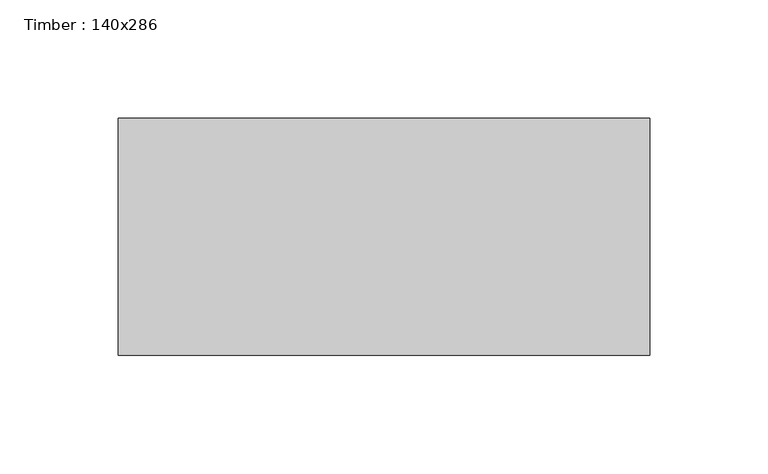
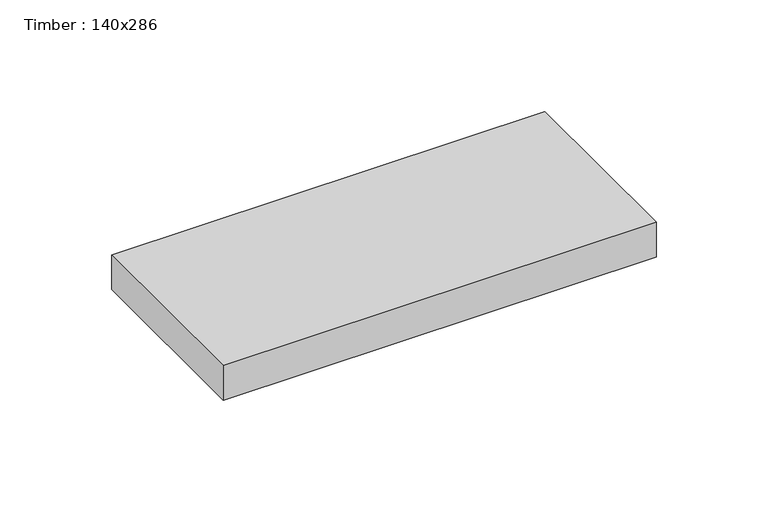
"""IFC4 building model written with IfcOpenShell, lengths in millimetres: beam geometry, Timber : 140x286."""

from ifc_helpers import new_model, si_unit, frame, origin, place, context, project, spatial, polyline, outline, extrude, source, transform, mapped, element, save


def timber_140x286_a0d75bed(model_context):
    return source(origin(), model_context, "Body", "SweptSolid", [
        extrude(outline(polyline([(1740.8447325, 31.5582294), (1740.8447325, 131.5582294), (1965.0341974, 131.5582294), (1965.0341974, 31.5582294), (1740.8447325, 31.5582294)])), frame((0.0, 0.0, -99.1762027), z_axis=(0.0, 0.0, 1.0), x_axis=(1.0, 0.0, 0.0)), (0.0, 0.0, 1.0), 19.0),
    ])


if __name__ == "__main__":
    model = new_model("IFC4")
    model_context = context("Model", 3, world=origin())
    ifc_project = project(units=[si_unit("LENGTHUNIT", "METRE", prefix="MILLI")], contexts=[model_context])
    site = spatial("IfcSite", under=ifc_project)
    building = spatial("IfcBuilding", under=site)
    placement = place(None, origin())
    timber_140x286_shape = timber_140x286_a0d75bed(model_context)
    element("IfcBeam", 1, ObjectType="Timber : 140x286", at=placement, inside=building, context=model_context, shape_type="MappedRepresentation", body=[
        mapped(timber_140x286_shape, transform((0.0, 0.0, 0.0), x_axis=(1.0, 0.0, 0.0), y_axis=(0.0, 1.0, 0.0), z_axis=(0.0, 0.0, 1.0))),
    ])
    save(model, "model.ifc")
